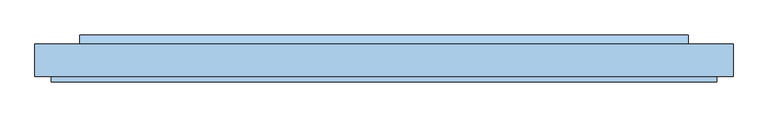
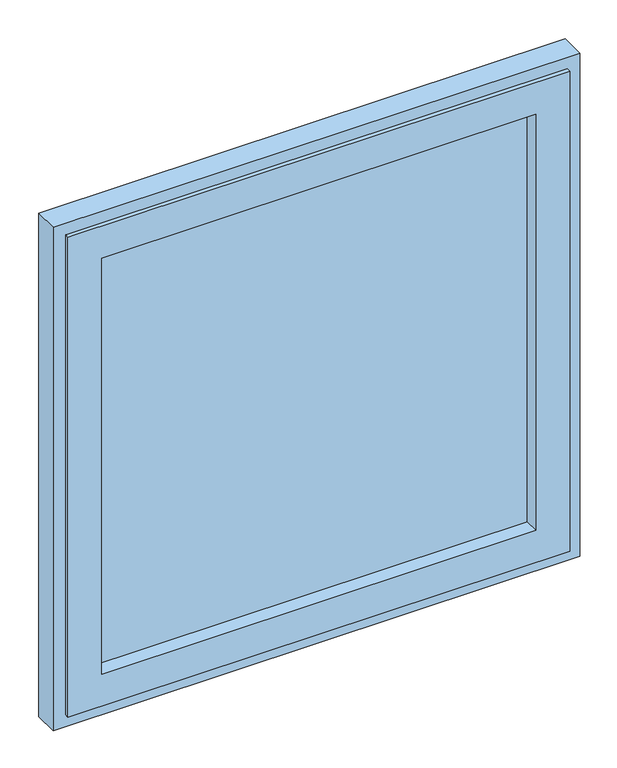
"""IFC4 building model written with IfcOpenShell, lengths in millimetres: window geometry."""

from ifc_helpers import new_model, si_unit, frame, origin, place, context, project, spatial, polyline, outline, extrude, faceted_brep, source, transform, mapped, element, save


def window_aa93da0f(model_context):
    return source(origin(), model_context, "Body", "SolidModel", [
        faceted_brep([(-548.0000002, -54.0, 27.0), (-548.0000002, -45.0, 27.0), (548.0000002, -45.0, 27.0), (548.0000002, -54.0, 27.0), (-517.0000002, 0.0, 58.0), (-517.0000002, 9.0, 58.0), (517.0000002, 9.0, 58.0), (517.0000002, 0.0, 58.0), (-474.0000002, 9.0, 101.0), (-474.0000002, -54.0, 101.0), (474.0000002, -54.0, 101.0), (474.0000002, 9.0, 101.0), (548.0000002, -45.0, 1135.5), (548.0000002, -54.0, 1135.5), (517.0000002, 9.0, 1104.5), (517.0000002, 0.0, 1104.5), (474.0000002, -54.0, 1061.5), (474.0000002, 9.0, 1061.5), (-548.0000002, -45.0, 1135.5), (-548.0000002, -54.0, 1135.5), (-517.0000002, 9.0, 1104.5), (-517.0000002, 0.0, 1104.5), (-474.0000002, -54.0, 1061.5), (-474.0000002, 9.0, 1061.5), (-523.0000002, 0.0, 52.0), (-523.0000002, 0.0, 1110.5), (523.0000002, 0.0, 1110.5), (523.0000002, 0.0, 52.0), (-523.0000002, -45.0, 52.0), (523.0000002, -45.0, 52.0), (523.0000002, -45.0, 1110.5), (-523.0000002, -45.0, 1110.5)], [[[0, 1, 2, 3]], [[4, 5, 6, 7]], [[8, 9, 10, 11]], [[3, 2, 12, 13]], [[7, 6, 14, 15]], [[11, 10, 16, 17]], [[13, 12, 18, 19]], [[15, 14, 20, 21]], [[17, 16, 22, 23]], [[19, 18, 1, 0]], [[5, 20, 14, 6], [11, 17, 23, 8]], [[21, 20, 5, 4]], [[24, 25, 26, 27], [7, 15, 21, 4]], [[23, 22, 9, 8]], [[3, 13, 19, 0], [9, 22, 16, 10]], [[28, 24, 27, 29]], [[29, 27, 26, 30]], [[30, 26, 25, 31]], [[1, 18, 12, 2], [29, 30, 31, 28]], [[31, 25, 24, 28]]]),
        extrude(outline(polyline([(474.0000002, -22.0), (-474.0000002, -22.0), (-474.0000002, 0.0), (474.0000002, 0.0), (474.0000002, -22.0)])), frame((0.0, 0.0, 101.0), z_axis=(0.0, 0.0, 1.0), x_axis=(1.0, 0.0, 0.0)), (0.0, 0.0, 1.0), 960.5),
        extrude(outline(polyline([(24.0, 58.0), (9.0, 58.0), (9.0, 70.5), (24.0, 63.0), (24.0, 58.0)])), frame((-501.0000002, 0.0, 0.0), z_axis=(1.0, 0.0, 0.0), x_axis=(0.0, 1.0, 0.0)), (0.0, 0.0, 1.0), 1002.0000003),
        faceted_brep([(523.0000002, 0.0, 52.0), (523.0000002, 9.0, 52.0), (-523.0000002, 9.0, 52.0), (-523.0000002, 0.0, 52.0), (541.0000002, -45.0, 34.0), (541.0000002, 0.0, 34.0), (-541.0000002, 0.0, 34.0), (-541.0000002, -45.0, 34.0), (575.0000002, 9.0, 0.0), (575.0000002, -45.0, 0.0), (-575.0000002, -45.0, 0.0), (-575.0000002, 9.0, 0.0), (-523.0000002, 9.0, 1110.5), (-523.0000002, 0.0, 1110.5), (-541.0000002, 0.0, 1128.5), (-541.0000002, -45.0, 1128.5), (-575.0000002, -45.0, 1162.5), (-575.0000002, 9.0, 1162.5), (523.0000002, 9.0, 1110.5), (523.0000002, 0.0, 1110.5), (541.0000002, 0.0, 1128.5), (541.0000002, -45.0, 1128.5), (575.0000002, -45.0, 1162.5), (575.0000002, 9.0, 1162.5)], [[[0, 1, 2, 3]], [[4, 5, 6, 7]], [[8, 9, 10, 11]], [[3, 2, 12, 13]], [[7, 6, 14, 15]], [[11, 10, 16, 17]], [[13, 12, 18, 19]], [[15, 14, 20, 21]], [[17, 16, 22, 23]], [[19, 18, 1, 0]], [[5, 20, 14, 6], [3, 13, 19, 0]], [[21, 20, 5, 4]], [[9, 22, 16, 10], [7, 15, 21, 4]], [[23, 22, 9, 8]], [[11, 17, 23, 8], [1, 18, 12, 2]]]),
    ])


if __name__ == "__main__":
    model = new_model("IFC4")
    model_context = context("Model", 3, world=origin())
    ifc_project = project(units=[si_unit("LENGTHUNIT", "METRE", prefix="MILLI")], contexts=[model_context])
    site = spatial("IfcSite", under=ifc_project)
    building = spatial("IfcBuilding", under=site)
    placement = place(None, origin())
    window_shape = window_aa93da0f(model_context)
    element("IfcWindow", 1, at=placement, inside=building, context=model_context, shape_type="MappedRepresentation", body=[
        mapped(window_shape, transform((0.0, 0.0, 0.0), x_axis=(1.0, 0.0, 0.0), y_axis=(0.0, 1.0, 0.0), z_axis=(0.0, 0.0, 1.0))),
    ])
    save(model, "model.ifc")
